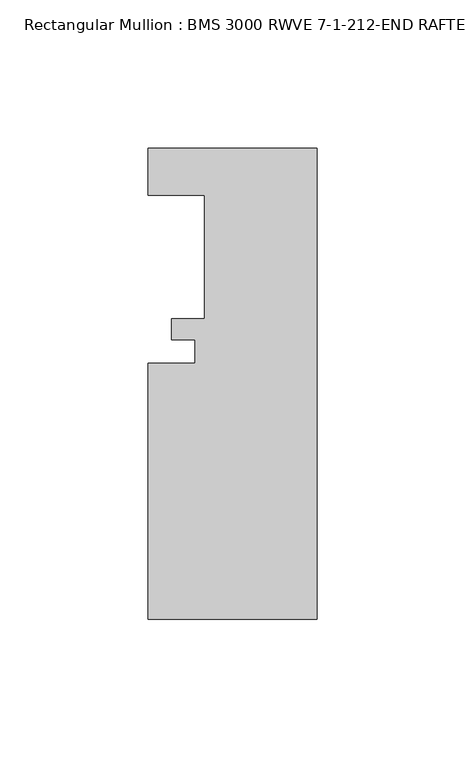
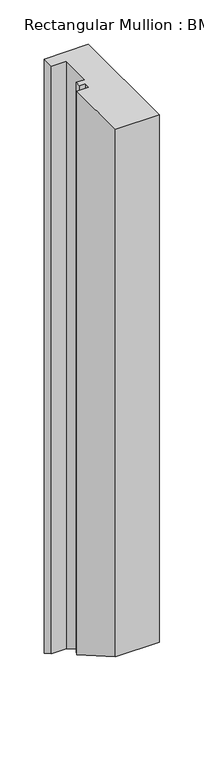
"""IFC4 building model written with IfcOpenShell, lengths in millimetres: member geometry, Rectangular Mullion : BMS 3000 RWVE 7-1-212-END RAFTER-HORIZ."""

from ifc_helpers import new_model, si_unit, origin, place, context, project, spatial, faceted_brep, source, transform, mapped, element, save


def rectangular_mullion_bms_3000_rwve_7_1_212_end_rafter_horiz_28056e2e(model_context):
    return source(origin(), model_context, "Body", "Brep", [
        faceted_brep([(-57.15, -152.9953125, 0.0), (0.0, -152.9953125, 0.0), (0.0, 6.1356875, 0.0), (-57.15, 6.1356875, 0.0), (-57.15, -9.7393125, 0.0), (-38.1, -9.7393125, 0.0), (-38.1, -51.3953125, 0.0), (-49.2252, -51.3953125, 0.0), (-49.2252, -58.5581125, 0.0), (-41.275, -58.5581125, 0.0), (-41.275, -66.4575125, 0.0), (-57.15, -66.4575125, 0.0), (-57.15, -152.9953125, -724.4681151), (0.0, -152.9953125, -724.4681151), (0.0, 6.1356875, -816.3424408), (-57.15, 6.1356875, -816.3424408), (-57.15, -9.7393125, -807.1770053), (-38.1, -9.7393125, -807.1770053), (-38.1, -51.3953125, -783.1269025), (-49.2252, -51.3953125, -783.1269025), (-49.2252, -58.5581125, -778.991458), (-41.275, -58.5581125, -778.991458), (-41.275, -66.4575125, -774.4307373), (-57.15, -66.4575125, -774.4307373)], [[[0, 1, 2, 3, 4, 5, 6, 7, 8, 9, 10, 11]], [[1, 0, 12, 13]], [[2, 1, 13, 14]], [[3, 2, 14, 15]], [[4, 3, 15, 16]], [[5, 4, 16, 17]], [[6, 5, 17, 18]], [[7, 6, 18, 19]], [[8, 7, 19, 20]], [[9, 8, 20, 21]], [[10, 9, 21, 22]], [[11, 10, 22, 23]], [[0, 11, 23, 12]], [[12, 23, 22, 21, 20, 19, 18, 17, 16, 15, 14, 13]]]),
    ])


if __name__ == "__main__":
    model = new_model("IFC4")
    model_context = context("Model", 3, world=origin())
    ifc_project = project(units=[si_unit("LENGTHUNIT", "METRE", prefix="MILLI")], contexts=[model_context])
    site = spatial("IfcSite", under=ifc_project)
    building = spatial("IfcBuilding", under=site)
    placement = place(None, origin())
    rectangular_mullion_bms_3000_rwve_7_1_212_end_rafter_horiz_shape = rectangular_mullion_bms_3000_rwve_7_1_212_end_rafter_horiz_28056e2e(model_context)
    element("IfcMember", 1, ObjectType="Rectangular Mullion : BMS 3000 RWVE 7-1-212-END RAFTER-HORIZ", at=placement, inside=building, context=model_context, shape_type="MappedRepresentation", body=[
        mapped(rectangular_mullion_bms_3000_rwve_7_1_212_end_rafter_horiz_shape, transform((0.0, 0.0, 0.0), x_axis=(1.0, 0.0, 0.0), y_axis=(0.0, 1.0, 0.0), z_axis=(0.0, 0.0, 1.0))),
    ])
    save(model, "model.ifc")
